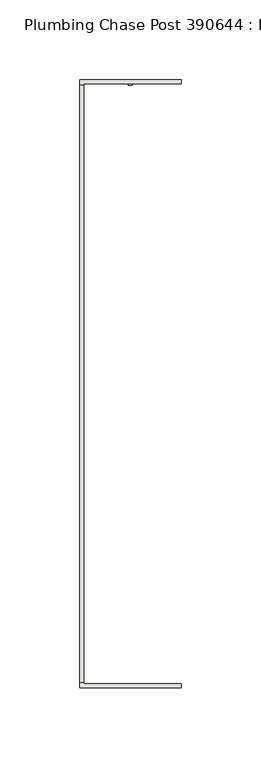
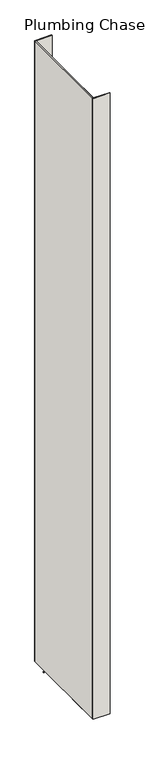
"""IFC4 building model written with IfcOpenShell, lengths in millimetres: wall geometry, Plumbing Chase Post 390644 : Plumbing Chase Post 390644."""

import ifcopenshell
import ifcopenshell.guid

model = None  # the IFC model being written
_history = None  # IfcOwnerHistory: only IFC2X3 demands one
_inside = {}  # id of a spatial element -> (the spatial element, [elements in it])
_under = {}  # id of a project, library or spatial element -> (it, [spatial elements below it])
_declared = {}  # id of a project -> (the project, [libraries it declares])
_typed = {}  # id of a type object -> (the type object, [elements of that type])
_made_of = {}  # id of a material, layer set ... -> (it, [elements and type objects made of it])


def new_model(schema):
    """Start an empty IFC model of exactly this schema.

    Asked for "IFC4X3", IfcOpenShell would pick the latest addendum, in which some entities
    have other attributes; the version numbers below select the first issue.
    IFC2X3 requires an IfcOwnerHistory on every rooted entity: one is made here for all.
    """
    global model, _history
    if schema == "IFC4X3":
        model = ifcopenshell.file(schema_version=(4, 3, 0, 0))
    else:
        model = ifcopenshell.file(schema=schema)
    _inside.clear()
    _under.clear()
    _declared.clear()
    _typed.clear()
    _made_of.clear()
    _history = None
    if model.schema == "IFC2X3":
        org = make("IfcOrganization", Name="unknown")
        user = make(
            "IfcPersonAndOrganization",
            ThePerson=make("IfcPerson", FamilyName="unknown"),
            TheOrganization=org,
        )
        app = make(
            "IfcApplication",
            ApplicationDeveloper=org,
            Version="unknown",
            ApplicationFullName="unknown",
            ApplicationIdentifier="unknown",
        )
        _history = make(
            "IfcOwnerHistory",
            OwningUser=user,
            OwningApplication=app,
            ChangeAction="ADDED",
            CreationDate=0,
        )
    return model


def make(cls, **values):
    """One entity of the class cls with the attributes given. An attribute that is None is left unset."""
    return model.create_entity(
        cls, **{name: value for name, value in values.items() if value is not None}
    )


def rooted(cls, **values):
    """An entity with a GlobalId (a new one), such as an element, a storey or a relation."""
    return make(cls, GlobalId=ifcopenshell.guid.new(), OwnerHistory=_history, **values)


def si_unit(unit_type, name, prefix=None):
    """IfcSIUnit, for example si_unit("LENGTHUNIT", "METRE", prefix="MILLI")."""
    return make("IfcSIUnit", UnitType=unit_type, Prefix=prefix, Name=name)


def assignment(units):
    """IfcUnitAssignment: the units of a project."""
    return None if units is None else make("IfcUnitAssignment", Units=units)


def point(xyz):
    """IfcCartesianPoint."""
    return None if xyz is None else make("IfcCartesianPoint", Coordinates=xyz)


def direction(xyz):
    """IfcDirection."""
    return None if xyz is None else make("IfcDirection", DirectionRatios=xyz)


def frame(location, z_axis=None, x_axis=None):
    """IfcAxis2Placement3D, a coordinate frame: its origin and axes. An axis left out is left unset."""
    return make(
        "IfcAxis2Placement3D",
        Location=point(location),
        Axis=direction(z_axis),
        RefDirection=direction(x_axis),
    )


def origin():
    """The frame at (0, 0, 0) with its axes left unset."""
    return frame((0.0, 0.0, 0.0))


def place(relative_to, where):
    """IfcLocalPlacement: puts the frame where relative to a parent placement (None: the world)."""
    return make(
        "IfcLocalPlacement", PlacementRelTo=relative_to, RelativePlacement=where
    )


def context(
    kind, dimensions, precision=None, world=None, true_north=None, identifier=None
):
    """IfcGeometricRepresentationContext, for example the 3D "Model" context."""
    return make(
        "IfcGeometricRepresentationContext",
        ContextIdentifier=identifier,
        ContextType=kind,
        CoordinateSpaceDimension=dimensions,
        Precision=precision,
        WorldCoordinateSystem=world,
        TrueNorth=true_north,
    )


def project(units=None, contexts=None):
    """IfcProject with its units and contexts."""
    return rooted(
        "IfcProject",
        Name="project",
        RepresentationContexts=contexts,
        UnitsInContext=assignment(units),
    )


def spatial(cls, under=None, at=None, **own):
    """A site, building, storey or space (cls), placed at a placement, below another one or the project."""
    s = rooted(cls, ObjectPlacement=at, **own)
    if under is not None:
        _under.setdefault(under.id(), (under, []))[1].append(s)
    return s


def polyline(points):
    """IfcPolyline through the points."""
    return make("IfcPolyline", Points=[point(p) for p in points])


def outline(outer, holes=None, kind="AREA"):
    """IfcArbitraryClosedProfileDef: a profile drawn as a closed curve; with holes, ...WithVoids."""
    if holes is None:
        return make("IfcArbitraryClosedProfileDef", ProfileType=kind, OuterCurve=outer)
    return make(
        "IfcArbitraryProfileDefWithVoids",
        ProfileType=kind,
        OuterCurve=outer,
        InnerCurves=holes,
    )


def extrude(swept, where, along, depth):
    """IfcExtrudedAreaSolid: the profile swept, set in the frame where, extruded along a direction by depth."""
    return make(
        "IfcExtrudedAreaSolid",
        SweptArea=swept,
        Position=where,
        ExtrudedDirection=direction(along),
        Depth=depth,
    )


def shape(context_of_items, identifier, shape_type, items):
    """IfcShapeRepresentation: the items that make up one representation, for example the "Body"."""
    return make(
        "IfcShapeRepresentation",
        ContextOfItems=context_of_items,
        RepresentationIdentifier=identifier,
        RepresentationType=shape_type,
        Items=items,
    )


def source(mapping_origin, context_of_items, identifier, shape_type, items):
    """IfcRepresentationMap: a shape defined once, which mapped items show again and again."""
    return make(
        "IfcRepresentationMap",
        MappingOrigin=mapping_origin,
        MappedRepresentation=shape(context_of_items, identifier, shape_type, items),
    )


def transform(
    local_origin,
    x_axis=None,
    y_axis=None,
    z_axis=None,
    scale=None,
    scale2=None,
    scale3=None,
    uniform=True,
):
    """IfcCartesianTransformationOperator3D, or its non-uniform kind. x_axis, y_axis, z_axis: its Axis1, 2, 3."""
    if uniform:
        return make(
            "IfcCartesianTransformationOperator3D",
            Axis1=direction(x_axis),
            Axis2=direction(y_axis),
            LocalOrigin=point(local_origin),
            Scale=scale,
            Axis3=direction(z_axis),
        )
    return make(
        "IfcCartesianTransformationOperator3DnonUniform",
        Axis1=direction(x_axis),
        Axis2=direction(y_axis),
        LocalOrigin=point(local_origin),
        Scale=scale,
        Axis3=direction(z_axis),
        Scale2=scale2,
        Scale3=scale3,
    )


def mapped(mapping_source, mapping_target):
    """IfcMappedItem: shows the shape of a source again, moved by a transform."""
    return make(
        "IfcMappedItem", MappingSource=mapping_source, MappingTarget=mapping_target
    )


def made_of(thing, what):
    """Note that an element or type object is made of a material, layer set ...; save() writes the relation."""
    if what is not None:
        _made_of.setdefault(what.id(), (what, []))[1].append(thing)
    return thing


def element(
    cls,
    number,
    at=None,
    inside=None,
    cuts=None,
    type_object=None,
    material=None,
    context=None,
    identifier="Body",
    shape_type=None,
    held_by="IfcProductDefinitionShape",
    body=None,
    shapes=None,
    **own,
):
    """One element of the class cls, such as IfcWall. Its Tag is "e" and its number.

    at: its placement. inside: the storey or other place that contains it. cuts: it is an
    opening in that element (IfcRelVoidsElement). A single representation is given by context,
    identifier, shape_type and body (its items); several are given by shapes. held_by: the class
    of the entity that holds the representations. save() writes the other relations.
    """
    e = rooted(cls, Tag="e%d" % number, ObjectPlacement=at, **own)
    if body is not None:
        shapes = [shape(context, identifier, shape_type, body)]
    if shapes is not None:
        e.Representation = make(held_by, Representations=shapes)
    if inside is not None:
        _inside.setdefault(inside.id(), (inside, []))[1].append(e)
    if cuts is not None:
        rooted(
            "IfcRelVoidsElement", RelatingBuildingElement=cuts, RelatedOpeningElement=e
        )
    if type_object is not None:
        _typed.setdefault(type_object.id(), (type_object, []))[1].append(e)
    return made_of(e, material)


def aggregate(whole, parts):
    """IfcRelAggregates: a whole, such as a stair, and the parts it consists of."""
    return rooted("IfcRelAggregates", RelatingObject=whole, RelatedObjects=parts)


def save(model, path):
    """Write the relations noted so far, then the file.

    IfcRelAggregates (storeys below a building ...), IfcRelContainedInSpatialStructure (elements
    in a storey), IfcRelDefinesByType, IfcRelAssociatesMaterial and IfcRelDeclares: one each for
    every whole, place, type object, material and project.
    """
    for whole, parts in _under.values():
        aggregate(whole, parts)
    for where, things in _inside.values():
        rooted(
            "IfcRelContainedInSpatialStructure",
            RelatedElements=things,
            RelatingStructure=where,
        )
    for kind, things in _typed.values():
        rooted("IfcRelDefinesByType", RelatedObjects=things, RelatingType=kind)
    for what, things in _made_of.values():
        rooted("IfcRelAssociatesMaterial", RelatedObjects=things, RelatingMaterial=what)
    for by, libraries in _declared.values():
        rooted("IfcRelDeclares", RelatingContext=by, RelatedDefinitions=libraries)
    model.write(path)


def plumbing_chase_post_390644_plumbing_chase_post_390644_47fc3643(model_context):
    return source(origin(), model_context, "Body", "SweptSolid", [
        extrude(outline(polyline([(78033.282211, -40744.4537916), (78033.282211, -40746.9937916), (78030.742211, -40746.9937916), (78030.742211, -40744.4537916), (78033.282211, -40744.4537916)])), frame((0.0, 0.0, 4419.6), z_axis=(0.0, 0.0, 1.0), x_axis=(1.0, 0.0, 0.0)), (0.0, 0.0, 1.0), 2.54),
        extrude(outline(polyline([(77999.9955618, -41122.7519174), (77999.9955618, -40747.1624476), (78002.6620538, -40747.1624476), (78002.6620538, -41122.7519174), (77999.9955618, -41122.7519174)])), frame((0.0, 0.0, 4474.8958), z_axis=(0.0, 0.0, 1.0), x_axis=(1.0, 0.0, 0.0)), (0.0, 0.0, 1.0), 2481.1482254),
        extrude(outline(polyline([(77999.9955618, -41122.7519174), (77999.9955618, -40747.1624476), (78002.6620538, -40747.1624476), (78002.6620538, -41122.7519174), (77999.9955618, -41122.7519174)])), frame((0.0, 0.0, 4474.8958), z_axis=(0.0, 0.0, 1.0), x_axis=(1.0, 0.0, 0.0)), (0.0, 0.0, 1.0), 2481.1482254),
        extrude(outline(polyline([(77999.9955618, -41126.2059872), (77999.9955618, -40992.8559872), (78002.6620538, -40992.8559872), (78002.6620538, -41123.5394698), (78064.0040444, -41123.5394698), (78064.0040444, -41126.2059872), (77999.9955618, -41126.2059872)])), frame((0.0, 0.0, 4474.8958), z_axis=(0.0, 0.0, 1.0), x_axis=(1.0, 0.0, 0.0)), (0.0, 0.0, 1.0), 2481.1482254),
        extrude(outline(polyline([(77999.9955618, -41126.2059872), (77999.9955618, -40992.8559872), (78002.6620538, -40992.8559872), (78002.6620538, -41123.5394698), (78064.0040444, -41123.5394698), (78064.0040444, -41126.2059872), (77999.9955618, -41126.2059872)])), frame((0.0, 0.0, 4474.8958), z_axis=(0.0, 0.0, 1.0), x_axis=(1.0, 0.0, 0.0)), (0.0, 0.0, 1.0), 2481.1482254),
        extrude(outline(polyline([(78002.6620538, -40877.0584032), (77999.9955618, -40877.0584032), (77999.9955618, -40743.7084032), (78064.0040444, -40743.7084032), (78064.0040444, -40746.3748952), (78002.6620538, -40746.3501048), (78002.6620538, -40877.0584032)])), frame((0.0, 0.0, 4474.8958), z_axis=(0.0, 0.0, 1.0), x_axis=(1.0, 0.0, 0.0)), (0.0, 0.0, 1.0), 2481.1482254),
        extrude(outline(polyline([(78002.6620538, -40877.0584032), (77999.9955618, -40877.0584032), (77999.9955618, -40743.7084032), (78064.0040444, -40743.7084032), (78064.0040444, -40746.3748952), (78002.6620538, -40746.3501048), (78002.6620538, -40877.0584032)])), frame((0.0, 0.0, 4474.8958), z_axis=(0.0, 0.0, 1.0), x_axis=(1.0, 0.0, 0.0)), (0.0, 0.0, 1.0), 2481.1482254),
    ])


if __name__ == "__main__":
    model = new_model("IFC4")
    model_context = context("Model", 3, world=origin())
    ifc_project = project(units=[si_unit("LENGTHUNIT", "METRE", prefix="MILLI")], contexts=[model_context])
    site = spatial("IfcSite", under=ifc_project)
    building = spatial("IfcBuilding", under=site)
    placement = place(None, origin())
    plumbing_chase_post_390644_plumbing_chase_post_390644_shape = plumbing_chase_post_390644_plumbing_chase_post_390644_47fc3643(model_context)
    element("IfcWall", 1, ObjectType="Plumbing Chase Post 390644 : Plumbing Chase Post 390644", at=placement, inside=building, context=model_context, shape_type="MappedRepresentation", body=[
        mapped(plumbing_chase_post_390644_plumbing_chase_post_390644_shape, transform((0.0, 0.0, 0.0), x_axis=(1.0, 0.0, 0.0), y_axis=(0.0, 1.0, 0.0), z_axis=(0.0, 0.0, 1.0))),
    ])
    save(model, "model.ifc")
